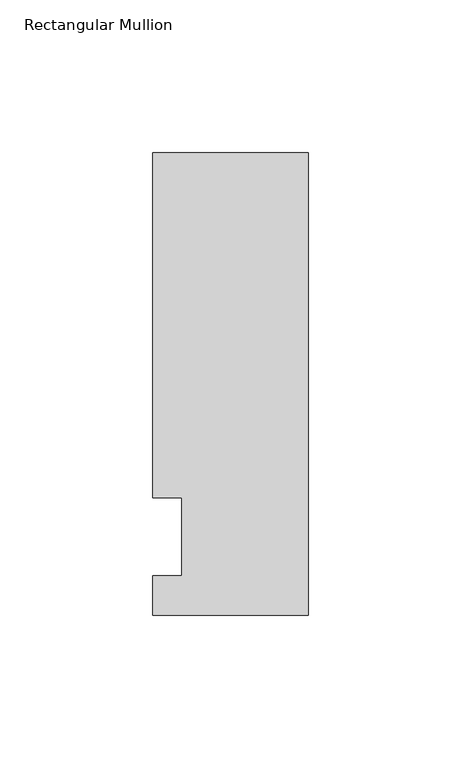
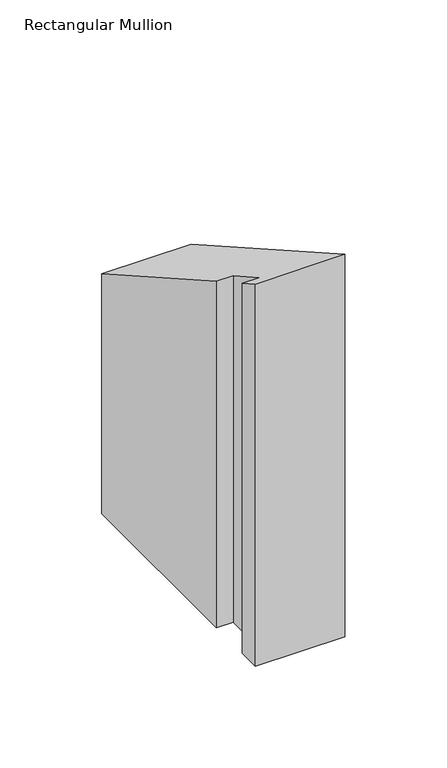
"""IFC4 building model written with IfcOpenShell, lengths in millimetres: member geometry, Rectangular Mullion."""

from ifc_helpers import new_model, si_unit, origin, place, context, project, spatial, faceted_brep, source, transform, mapped, element, save


def rectangular_mullion_d9e6b0ba(model_context):
    return source(origin(), model_context, "Body", "Brep", [
        faceted_brep([(-50.8, -25.5984375, -215.0550553), (-50.8, -12.7, -215.0550553), (-41.275, -12.7, -215.0550553), (-41.275, 12.7, -215.0550553), (-50.8, 12.7, -215.0550553), (-50.8, 125.6109375, -215.0550553), (0.0, 125.6109375, -215.0550553), (0.0, -25.5984375, -215.0550553), (0.0, -25.5984375, 14.4828991), (-50.8, -25.5984375, 14.4828991), (0.0, 125.6109375, -71.0672491), (-50.8, 125.6109375, -71.0672491), (-50.8, 12.7, -7.1853143), (-41.275, 12.7, -7.1853143), (-41.275, -12.7, 7.1853143), (-50.8, -12.7, 7.1853143)], [[[0, 1, 2, 3, 4, 5, 6, 7]], [[8, 9, 0, 7]], [[10, 8, 7, 6]], [[11, 10, 6, 5]], [[12, 11, 5, 4]], [[13, 12, 4, 3]], [[14, 13, 3, 2]], [[15, 14, 2, 1]], [[9, 15, 1, 0]], [[9, 8, 10, 11, 12, 13, 14, 15]]]),
    ])


if __name__ == "__main__":
    model = new_model("IFC4")
    model_context = context("Model", 3, world=origin())
    ifc_project = project(units=[si_unit("LENGTHUNIT", "METRE", prefix="MILLI")], contexts=[model_context])
    site = spatial("IfcSite", under=ifc_project)
    building = spatial("IfcBuilding", under=site)
    placement = place(None, origin())
    rectangular_mullion_shape = rectangular_mullion_d9e6b0ba(model_context)
    element("IfcMember", 1, ObjectType="Rectangular Mullion", at=placement, inside=building, context=model_context, shape_type="MappedRepresentation", body=[
        mapped(rectangular_mullion_shape, transform((0.0, 0.0, 0.0), x_axis=(1.0, 0.0, 0.0), y_axis=(0.0, 1.0, 0.0), z_axis=(0.0, 0.0, 1.0))),
    ])
    save(model, "model.ifc")
